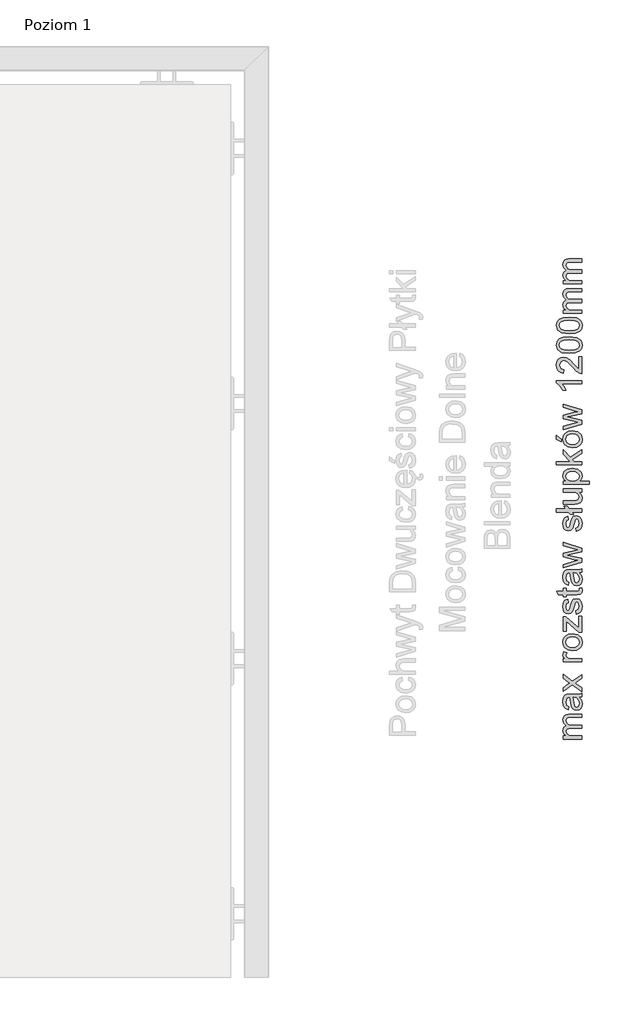
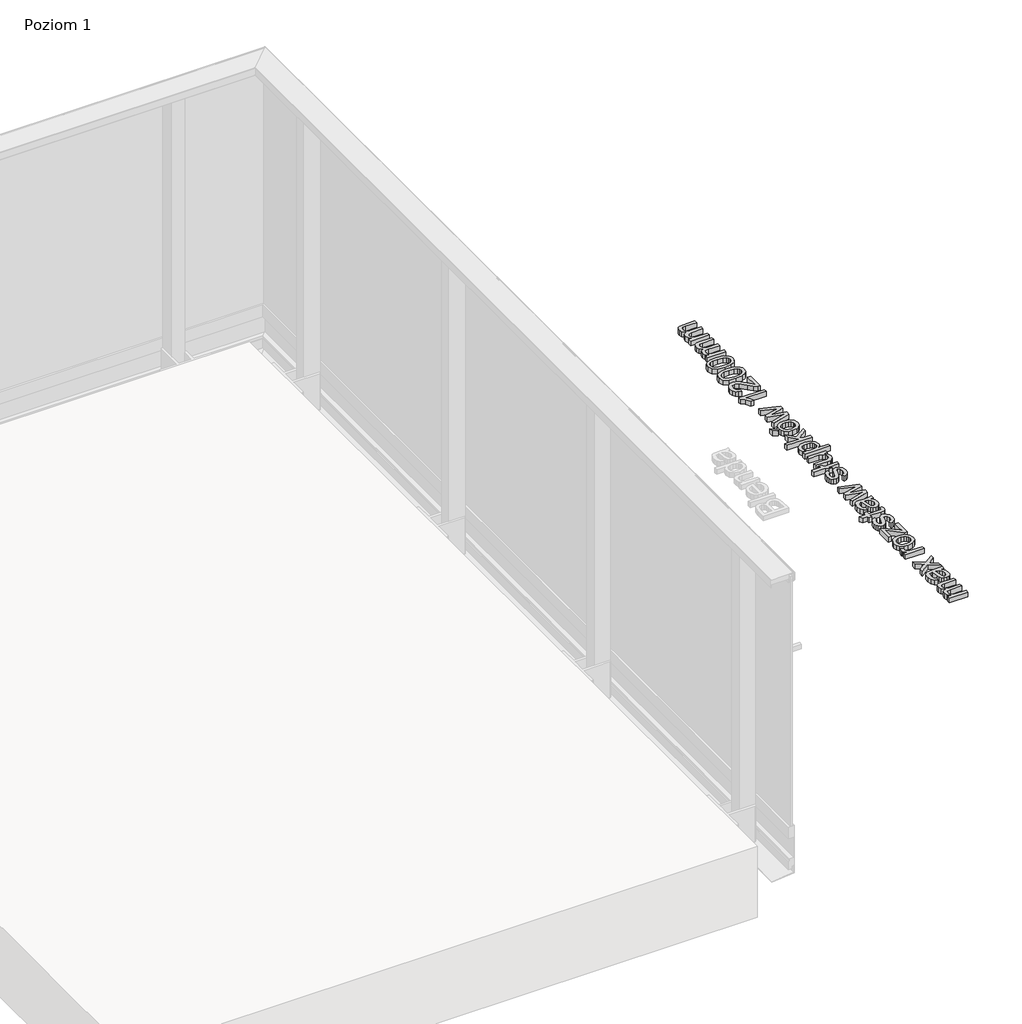
# One storey, part 28 of 35: 1 proxy.
"""IFC4 building model written with IfcOpenShell, lengths in millimetres."""

from ifc_helpers import new_model, si_unit, origin, origin_with_axes, place, context, project, spatial, polyline, outline, extrude, element, save

model = new_model("IFC4")

# Units and contexts
model_context = context("Model", 3, world=origin())
ifc_project = project(units=[si_unit("LENGTHUNIT", "METRE", prefix="MILLI")], contexts=[model_context])

# Site, building, storey
site = spatial("IfcSite", under=ifc_project)
building = spatial("IfcBuilding", under=site)
storey = spatial("IfcBuildingStorey", under=building, Name="Poziom 1", Elevation=0.0)

# Proxy
placement = place(None, origin())
element("IfcBuildingElementProxy", 1, Name="Generic Models", at=placement, inside=storey, context=model_context, shape_type="SweptSolid", body=[
    extrude(outline(polyline([(20769.7173752, -3695.0976583), (20695.9447724, -3695.0976583), (20695.9447724, -3682.5406196), (20708.0848783, -3682.5406196), (20698.1398017, -3673.9076554), (20694.3751426, -3661.6203968), (20698.2133781, -3649.0388325), (20708.9677951, -3642.122651), (20698.0233057, -3632.3247272), (20694.3751426, -3619.9516294), (20695.8926558, -3610.5123906), (20700.4451955, -3603.5318297), (20708.155389, -3599.2184133), (20719.1458636, -3597.7806079), (20769.7173752, -3597.7806079), (20769.7173752, -3610.3376466), (20724.5414662, -3610.3376466), (20714.0568293, -3611.5026063), (20708.8942187, -3615.7209865), (20706.9321813, -3622.8946854), (20711.959902, -3635.2432577), (20718.5020701, -3638.9312747), (20728.0731333, -3640.1606137), (20769.7173752, -3640.1606137), (20769.7173752, -3652.7176525), (20723.1435146, -3652.7176525), (20710.9788833, -3655.6239202), (20706.9321813, -3665.1520639), (20709.6299826, -3674.4472157), (20717.5271828, -3680.6276332), (20732.5122427, -3682.5406196), (20769.7173752, -3682.5406196), (20769.7173752, -3695.0976583)])), origin_with_axes(), (0.0, 0.0, 1.0), 20.0),
    extrude(outline(polyline([(20760.2995961, -3531.8561543), (20768.8099329, -3544.0330484), (20771.287005, -3557.4852667), (20769.797083, -3567.9791006), (20765.3273167, -3575.7199509), (20758.5398939, -3580.4932198), (20750.0970021, -3582.0843094), (20740.1641882, -3579.6808137), (20732.9537011, -3573.3655061), (20728.8334228, -3564.5731264), (20726.9449619, -3553.7083448), (20722.6284798, -3531.9297307), (20719.8325766, -3531.8561543), (20710.5619504, -3535.3142451), (20706.9321813, -3549.195659), (20709.3479398, -3561.8998506), (20717.9195903, -3567.9576408), (20716.3499604, -3580.5146796), (20704.0872273, -3575.0822888), (20696.9012656, -3564.1439308), (20694.3751426, -3547.5769783), (20696.60696, -3532.3589264), (20702.2110291, -3523.7627504), (20710.7336286, -3519.9122522), (20721.7210376, -3519.2991156), (20737.3437596, -3519.2991156), (20759.1591619, -3518.6614534), (20769.7173752, -3516.1598559), (20769.7173752, -3528.7168946), (20760.2995961, -3531.8561543)]), holes=[polyline([(20735.1855186, -3531.8561543), (20739.0360168, -3552.1141895), (20741.0716305, -3562.9176575), (20744.3825685, -3567.810488), (20749.2140853, -3569.5272706), (20756.0076395, -3565.787137), (20758.7299663, -3554.8119908), (20755.7255966, -3542.1077993), (20748.4537959, -3533.9162935), (20738.7417112, -3531.9297307), (20735.1855186, -3531.8561543)])]), origin_with_axes(), (0.0, 0.0, 1.0), 20.0),
    extrude(outline(polyline([(20769.7173752, -3509.8813365), (20732.6348701, -3483.0504763), (20695.9447724, -3508.3117066), (20695.9447724, -3493.2040194), (20713.6031082, -3481.0148626), (20721.9417668, -3475.3249544), (20715.1236871, -3470.3953357), (20695.9447724, -3456.5139217), (20695.9447724, -3441.4062344), (20732.6348701, -3467.942789), (20769.7173752, -3442.3872531), (20769.7173752, -3457.4949404), (20747.4237263, -3472.8724078), (20743.3524989, -3475.6928364), (20769.7173752, -3494.7736492), (20769.7173752, -3509.8813365)])), origin_with_axes(), (0.0, 0.0, 1.0), 20.0),
    extrude(outline(polyline([(20769.7173752, -3392.159098), (20695.9447724, -3392.159098), (20695.9447724, -3381.1716891), (20706.858605, -3381.1716891), (20696.8031637, -3373.3725908), (20694.3751426, -3365.5244416), (20698.2501663, -3352.9183519), (20709.5073553, -3357.1122066), (20706.9321813, -3365.9413745), (20709.4092535, -3373.041497), (20716.276384, -3377.5664456), (20730.9426129, -3379.6020593), (20769.7173752, -3379.6020593), (20769.7173752, -3392.159098)])), origin_with_axes(), (0.0, 0.0, 1.0), 20.0),
    extrude(outline(polyline([(20732.8310738, -3348.2094623), (20715.0439793, -3345.4932669), (20702.5421229, -3337.3446807), (20696.4168877, -3327.2769768), (20694.3751426, -3315.2227101), (20696.8614117, -3302.0310749), (20704.3202192, -3291.4943214), (20716.1629537, -3284.587337), (20731.8010042, -3282.2850088), (20754.1437041, -3286.3562362), (20766.786582, -3298.2142992), (20771.287005, -3315.2227101), (20768.8099329, -3328.5737608), (20761.3787166, -3339.0982516), (20749.2876617, -3345.9316596), (20732.8310738, -3348.2094623)]), holes=[polyline([(20732.8065483, -3335.6524236), (20744.1710363, -3334.1992897), (20752.2675059, -3329.839888), (20757.1143512, -3323.2793258), (20758.7299663, -3315.2227101), (20757.1051541, -3307.2028826), (20752.2307177, -3300.6545831), (20744.0269492, -3296.2951815), (20732.4141409, -3294.8420476), (20721.3807467, -3296.3043785), (20713.3946417, -3300.6913713), (20708.5477964, -3307.2488679), (20706.9321813, -3315.2227101), (20708.5416651, -3323.2793258), (20713.3701163, -3329.839888), (20721.4481917, -3334.1992897), (20732.8065483, -3335.6524236)])]), origin_with_axes(), (0.0, 0.0, 1.0), 20.0),
    extrude(outline(polyline([(20769.7173752, -3276.0064894), (20757.8961004, -3276.0064894), (20708.5018112, -3232.6699904), (20708.5018112, -3245.4968093), (20708.5018112, -3272.8672297), (20695.9447724, -3272.8672297), (20695.9447724, -3214.7909254), (20706.6133503, -3214.7909254), (20750.4403586, -3253.2223312), (20757.1603364, -3259.1084431), (20757.1603364, -3244.589367), (20757.1603364, -3213.2212956), (20769.7173752, -3213.2212956), (20769.7173752, -3276.0064894)])), origin_with_axes(), (0.0, 0.0, 1.0), 20.0),
    extrude(outline(polyline([(20747.7425573, -3205.3731463), (20746.1729275, -3192.8161076), (20755.4926047, -3187.003572), (20758.7299663, -3173.6862438), (20755.7623848, -3160.8839504), (20748.7971524, -3156.7146211), (20743.1562951, -3160.9084759), (20739.5755771, -3173.8333966), (20733.4319477, -3192.7425312), (20726.2582488, -3200.9953506), (20716.1292312, -3203.8035165), (20706.7727658, -3201.5471736), (20699.6235924, -3195.3912815), (20695.9079842, -3187.4082422), (20694.3751426, -3176.6047743), (20696.8399519, -3161.3254088), (20703.5108788, -3151.6133241), (20714.7803306, -3147.296842), (20716.3499604, -3159.8538808), (20709.4215162, -3164.5750331), (20706.9321813, -3175.6237557), (20709.3111516, -3187.6412342), (20714.853907, -3191.2464777), (20718.5082015, -3189.7504243), (20721.2795792, -3185.0660602), (20723.952855, -3174.2503296), (20729.8634924, -3155.8194416), (20736.5589447, -3147.2600538), (20747.4727772, -3144.1575823), (20759.4902557, -3147.7996141), (20768.209059, -3158.3087764), (20771.287005, -3173.8579221), (20769.8032143, -3186.5191941), (20765.3518422, -3195.7591635), (20757.9819395, -3201.9273183), (20747.7425573, -3205.3731463)])), origin_with_axes(), (0.0, 0.0, 1.0), 20.0),
    extrude(outline(polyline([(20759.2450011, -3103.3472063), (20770.0852572, -3101.7775765), (20771.287005, -3111.1708301), (20769.2023404, -3121.6922552), (20763.7331614, -3126.940705), (20749.4838655, -3128.4612839), (20708.5018112, -3128.4612839), (20708.5018112, -3137.879063), (20695.9447724, -3137.879063), (20695.9447724, -3128.4612839), (20678.0166565, -3128.4612839), (20670.6344912, -3115.9042451), (20695.9447724, -3115.9042451), (20695.9447724, -3103.3472063), (20708.5018112, -3103.3472063), (20708.5018112, -3115.9042451), (20749.1159835, -3115.9042451), (20755.5907066, -3115.2420575), (20757.8838377, -3113.0960792), (20758.7299663, -3108.8163853), (20759.2450011, -3103.3472063)])), origin_with_axes(), (0.0, 0.0, 1.0), 20.0),
    extrude(outline(polyline([(20760.2995961, -3043.7012722), (20768.8099329, -3055.8781662), (20771.287005, -3069.3303845), (20769.797083, -3079.8242184), (20765.3273167, -3087.5650688), (20758.5398939, -3092.3383376), (20750.0970021, -3093.9294273), (20740.1641882, -3091.5259316), (20732.9537011, -3085.210624), (20728.8334228, -3076.4182443), (20726.9449619, -3065.5534627), (20722.6284798, -3043.7748486), (20719.8325766, -3043.7012722), (20710.5619504, -3047.1593629), (20706.9321813, -3061.0407769), (20709.3479398, -3073.7449685), (20717.9195903, -3079.8027587), (20716.3499604, -3092.3597974), (20704.0872273, -3086.9274066), (20696.9012656, -3075.9890486), (20694.3751426, -3059.4220961), (20696.60696, -3044.2040443), (20702.2110291, -3035.6078683), (20710.7336286, -3031.7573701), (20721.7210376, -3031.1442334), (20737.3437596, -3031.1442334), (20759.1591619, -3030.5065713), (20769.7173752, -3028.0049737), (20769.7173752, -3040.5620125), (20760.2995961, -3043.7012722)]), holes=[polyline([(20735.1855186, -3043.7012722), (20739.0360168, -3063.9593074), (20741.0716305, -3074.7627753), (20744.3825685, -3079.6556059), (20749.2140853, -3081.3723885), (20756.0076395, -3077.6322549), (20758.7299663, -3066.6571087), (20755.7255966, -3053.9529171), (20748.4537959, -3045.7614114), (20738.7417112, -3043.7748486), (20735.1855186, -3043.7012722)])]), origin_with_axes(), (0.0, 0.0, 1.0), 20.0),
    extrude(outline(polyline([(20769.7173752, -3001.6400974), (20695.9447724, -3024.0808991), (20695.9447724, -3011.033351), (20738.9869659, -2998.304634), (20754.3644333, -2994.5031867), (20739.5510516, -2991.3884525), (20695.9447724, -2981.2594349), (20695.9447724, -2966.2989004), (20739.4284243, -2956.2189337), (20752.8438543, -2953.447556), (20738.6926603, -2949.4744305), (20695.9447724, -2936.721188), (20695.9447724, -2923.624589), (20769.7173752, -2946.2370689), (20769.7173752, -2961.4183326), (20726.4544526, -2971.0568409), (20712.9654461, -2973.852744), (20769.7173752, -2986.2871555), (20769.7173752, -3001.6400974)])), origin_with_axes(), (0.0, 0.0, 1.0), 20.0),
    extrude(outline(polyline([(20747.7425573, -2880.4597682), (20746.1729275, -2867.9027294), (20755.4926047, -2862.0901939), (20758.7299663, -2848.7728657), (20755.7623848, -2835.9705723), (20748.7971524, -2831.801243), (20743.1562951, -2835.9950977), (20739.5755771, -2848.9200185), (20733.4319477, -2867.829153), (20726.2582488, -2876.0819725), (20716.1292312, -2878.8901384), (20706.7727658, -2876.6337955), (20699.6235924, -2870.4779034), (20695.9079842, -2862.4948641), (20694.3751426, -2851.6913962), (20696.8399519, -2836.4120306), (20703.5108788, -2826.699946), (20714.7803306, -2822.3834639), (20716.3499604, -2834.9405027), (20709.4215162, -2839.6616549), (20706.9321813, -2850.7103775), (20709.3111516, -2862.727856), (20714.853907, -2866.3330996), (20718.5082015, -2864.8370461), (20721.2795792, -2860.1526821), (20723.952855, -2849.3369514), (20729.8634924, -2830.9060635), (20736.5589447, -2822.3466757), (20747.4727772, -2819.2442042), (20759.4902557, -2822.886236), (20768.209059, -2833.3953983), (20771.287005, -2848.9445439), (20769.8032143, -2861.6058159), (20765.3518422, -2870.8457854), (20757.9819395, -2877.0139402), (20747.7425573, -2880.4597682)])), origin_with_axes(), (0.0, 0.0, 1.0), 20.0),
    extrude(outline(polyline([(20730.0106452, -2805.1175356), (20737.5399633, -2814.5353147), (20723.4132947, -2814.5353147), (20715.8839766, -2805.1175356), (20669.261065, -2805.1175356), (20669.261065, -2792.5604968), (20705.8285354, -2792.5604968), (20698.2992172, -2783.1427177), (20712.4258858, -2783.1427177), (20719.955204, -2792.5604968), (20769.7173752, -2792.5604968), (20769.7173752, -2805.1175356), (20730.0106452, -2805.1175356)])), origin_with_axes(), (0.0, 0.0, 1.0), 20.0),
    extrude(outline(polyline([(20769.7173752, -2726.6360433), (20757.0377091, -2726.6360433), (20767.7246811, -2736.4707553), (20771.287005, -2749.2975742), (20768.7854075, -2761.1065862), (20762.5068881, -2769.2490411), (20753.2607873, -2772.9891747), (20741.5866653, -2773.7249387), (20695.9447724, -2773.7249387), (20695.9447724, -2761.1678999), (20735.6760279, -2761.1678999), (20748.4783213, -2760.4076104), (20755.9953768, -2755.4412035), (20758.7299663, -2746.0847381), (20755.9340631, -2735.6001012), (20748.3189058, -2728.671657), (20734.3271273, -2726.6360433), (20695.9447724, -2726.6360433), (20695.9447724, -2714.0790045), (20769.7173752, -2714.0790045), (20769.7173752, -2726.6360433)])), origin_with_axes(), (0.0, 0.0, 1.0), 20.0),
    extrude(outline(polyline([(20797.9707124, -2696.8130762), (20695.9447724, -2696.8130762), (20695.9447724, -2684.2560374), (20708.2565565, -2684.2560374), (20697.8454961, -2675.5740224), (20694.3751426, -2663.8508494), (20699.2311849, -2647.9338218), (20712.9163951, -2637.5350241), (20732.2669881, -2634.0278824), (20752.6108624, -2637.9887452), (20766.4677509, -2649.4911889), (20771.287005, -2665.3714284), (20768.0619062, -2676.2975236), (20759.9071887, -2684.2560374), (20797.9707124, -2684.2560374), (20797.9707124, -2696.8130762)]), holes=[polyline([(20733.419685, -2684.2560374), (20744.6768741, -2682.8979397), (20752.5495488, -2678.8236466), (20757.1848619, -2672.8118417), (20758.7299663, -2665.6412085), (20757.1296796, -2658.3540793), (20752.3288196, -2652.1889902), (20744.1679706, -2647.9859384), (20732.4877173, -2646.5849211), (20721.2918419, -2647.9522159), (20713.3088026, -2652.0541001), (20708.5263367, -2658.056708), (20706.9321813, -2665.1261737), (20708.6275042, -2672.2232305), (20713.7134728, -2678.4557647), (20722.0306716, -2682.8059692), (20733.419685, -2684.2560374)])]), origin_with_axes(), (0.0, 0.0, 1.0), 20.0),
    extrude(outline(polyline([(20769.7173752, -2619.9012138), (20669.261065, -2619.9012138), (20669.261065, -2607.344175), (20723.2416165, -2607.344175), (20695.9447724, -2579.1889396), (20695.9447724, -2561.8249094), (20723.584973, -2590.3235013), (20769.7173752, -2560.2552796), (20769.7173752, -2574.9215085), (20732.316039, -2599.3243475), (20740.0906118, -2607.344175), (20769.7173752, -2607.344175), (20769.7173752, -2619.9012138)])), origin_with_axes(), (0.0, 0.0, 1.0), 20.0),
    extrude(outline(polyline([(20732.8310738, -2552.4071304), (20715.0439793, -2549.690935), (20702.5421229, -2541.5423488), (20696.4168877, -2531.4746448), (20694.3751426, -2519.4203781), (20696.8614117, -2506.2287429), (20704.3202192, -2495.6919894), (20716.1629537, -2488.785005), (20731.8010042, -2486.4826768), (20754.1437041, -2490.5539042), (20766.786582, -2502.4119672), (20771.287005, -2519.4203781), (20768.8099329, -2532.7714289), (20761.3787166, -2543.2959196), (20749.2876617, -2550.1293277), (20732.8310738, -2552.4071304)]), holes=[polyline([(20732.8065483, -2539.8500916), (20744.1710363, -2538.3969577), (20752.2675059, -2534.0375561), (20757.1143512, -2527.4769938), (20758.7299663, -2519.4203781), (20757.1051541, -2511.4005506), (20752.2307177, -2504.8522511), (20744.0269492, -2500.4928495), (20732.4141409, -2499.0397156), (20721.3807467, -2500.5020465), (20713.3946417, -2504.8890393), (20708.5477964, -2511.4465359), (20706.9321813, -2519.4203781), (20708.5416651, -2527.4769938), (20713.3701163, -2534.0375561), (20721.4481917, -2538.3969577), (20732.8065483, -2539.8500916)])]), origin_with_axes(), (0.0, 0.0, 1.0), 20.0),
    extrude(outline(polyline([(20688.0966232, -2528.8626827), (20669.261065, -2519.4449036), (20669.261065, -2503.7486051), (20688.0966232, -2519.4449036), (20688.0966232, -2528.8626827)])), origin_with_axes(), (0.0, 0.0, 1.0), 20.0),
    extrude(outline(polyline([(20769.7173752, -2460.1178005), (20695.9447724, -2482.5586022), (20695.9447724, -2469.5110541), (20738.9869659, -2456.7823371), (20754.3644333, -2452.9808898), (20739.5510516, -2449.8661556), (20695.9447724, -2439.737138), (20695.9447724, -2424.7766035), (20739.4284243, -2414.6966368), (20752.8438543, -2411.9252591), (20738.6926603, -2407.9521336), (20695.9447724, -2395.1988911), (20695.9447724, -2382.1022921), (20769.7173752, -2404.714772), (20769.7173752, -2419.8960357), (20726.4544526, -2429.534544), (20712.9654461, -2432.3304471), (20769.7173752, -2444.7648586), (20769.7173752, -2460.1178005)])), origin_with_axes(), (0.0, 0.0, 1.0), 20.0),
    extrude(outline(polyline([(20769.7173752, -2290.2789461), (20769.7173752, -2302.8359848), (20691.4320866, -2302.8359848), (20699.9056352, -2314.730836), (20706.2454683, -2327.9500624), (20694.3751426, -2327.9500624), (20682.6274442, -2309.5436999), (20669.261065, -2298.37235), (20669.261065, -2290.2789461), (20769.7173752, -2290.2789461)])), origin_with_axes(), (0.0, 0.0, 1.0), 20.0),
    extrude(outline(polyline([(20757.1603364, -2196.1011553), (20769.7173752, -2196.1011553), (20769.7173752, -2262.0256088), (20761.0598856, -2260.6767082), (20747.7302946, -2253.0492882), (20733.1744303, -2237.3284642), (20712.2542075, -2215.647952), (20698.0294371, -2210.2278239), (20686.5147306, -2215.3413837), (20681.8181038, -2228.6955001), (20686.404366, -2242.6137022), (20699.0840321, -2247.8989402), (20697.5144023, -2260.455979), (20685.3681651, -2257.4117555), (20676.4960776, -2250.8297335), (20671.0698182, -2241.0532694), (20669.261065, -2228.42572), (20671.2721533, -2215.7062), (20677.305418, -2205.94813), (20686.3185269, -2199.7401214), (20697.2691476, -2197.6707852), (20709.1762615, -2199.9026026), (20721.4880456, -2207.3215562), (20738.6926603, -2225.3109857), (20750.7714524, -2239.7564854), (20757.1603364, -2245.4218681), (20757.1603364, -2196.1011553)])), origin_with_axes(), (0.0, 0.0, 1.0), 20.0),
    extrude(outline(polyline([(20720.2985605, -2183.5441165), (20691.3952984, -2179.8530339), (20674.730244, -2168.8901504), (20669.261065, -2150.5818898), (20672.4984266, -2135.9156609), (20681.8303665, -2125.7866433), (20696.6927992, -2119.9005314), (20720.2985605, -2117.619663), (20749.0791953, -2121.2739575), (20765.7810378, -2132.2000527), (20769.9105132, -2140.4314124), (20771.287005, -2150.5818898), (20768.8957721, -2163.6294379), (20761.7220732, -2173.5377263), (20744.7320564, -2181.042519), (20720.2985605, -2183.5441165)]), holes=[polyline([(20720.274035, -2170.9870778), (20740.0262325, -2169.5155498), (20751.4581655, -2165.1009658), (20756.9120161, -2158.5281409), (20758.7299663, -2150.5818898), (20756.9058847, -2142.6356387), (20751.43364, -2136.0628137), (20739.9955757, -2131.6482298), (20720.274035, -2130.1767018), (20700.9663617, -2131.5991788), (20689.4455238, -2135.86661), (20683.7249588, -2142.4271722), (20681.8181038, -2150.7290426), (20683.4980983, -2158.5894545), (20688.5380816, -2164.9047621), (20700.7762893, -2169.4664989), (20720.274035, -2170.9870778)])]), origin_with_axes(), (0.0, 0.0, 1.0), 20.0),
    extrude(outline(polyline([(20720.2985605, -2106.6322541), (20691.3952984, -2102.9411714), (20674.730244, -2091.9782879), (20669.261065, -2073.6700273), (20672.4984266, -2059.0037984), (20681.8303665, -2048.8747808), (20696.6927992, -2042.9886689), (20720.2985605, -2040.7078005), (20749.0791953, -2044.362095), (20765.7810378, -2055.2881903), (20769.9105132, -2063.5195499), (20771.287005, -2073.6700273), (20768.8957721, -2086.7175754), (20761.7220732, -2096.6258638), (20744.7320564, -2104.1306565), (20720.2985605, -2106.6322541)]), holes=[polyline([(20720.274035, -2094.0752153), (20740.0262325, -2092.6036873), (20751.4581655, -2088.1891034), (20756.9120161, -2081.6162784), (20758.7299663, -2073.6700273), (20756.9058847, -2065.7237762), (20751.43364, -2059.1509512), (20739.9955757, -2054.7363673), (20720.274035, -2053.2648393), (20700.9663617, -2054.6873164), (20689.4455238, -2058.9547475), (20683.7249588, -2065.5153098), (20681.8181038, -2073.8171801), (20683.4980983, -2081.6775921), (20688.5380816, -2087.9928997), (20700.7762893, -2092.5546364), (20720.274035, -2094.0752153)])]), origin_with_axes(), (0.0, 0.0, 1.0), 20.0),
    extrude(outline(polyline([(20769.7173752, -2026.5811319), (20695.9447724, -2026.5811319), (20695.9447724, -2014.0240932), (20708.0848783, -2014.0240932), (20698.1398017, -2005.391129), (20694.3751426, -1993.1038704), (20698.2133781, -1980.5223061), (20708.9677951, -1973.6061246), (20698.0233057, -1963.8082008), (20694.3751426, -1951.435103), (20695.8926558, -1941.9958642), (20700.4451955, -1935.0153033), (20708.155389, -1930.7018869), (20719.1458636, -1929.2640815), (20769.7173752, -1929.2640815), (20769.7173752, -1941.8211202), (20724.5414662, -1941.8211202), (20714.0568293, -1942.9860799), (20708.8942187, -1947.2044601), (20706.9321813, -1954.378159), (20711.959902, -1966.7267313), (20718.5020701, -1970.4147483), (20728.0731333, -1971.6440873), (20769.7173752, -1971.6440873), (20769.7173752, -1984.2011261), (20723.1435146, -1984.2011261), (20710.9788833, -1987.1073938), (20706.9321813, -1996.6355375), (20709.6299826, -2005.9306893), (20717.5271828, -2012.1111068), (20732.5122427, -2014.0240932), (20769.7173752, -2014.0240932), (20769.7173752, -2026.5811319)])), origin_with_axes(), (0.0, 0.0, 1.0), 20.0),
    extrude(outline(polyline([(20769.7173752, -1910.4285233), (20695.9447724, -1910.4285233), (20695.9447724, -1897.8714846), (20708.0848783, -1897.8714846), (20698.1398017, -1889.2385204), (20694.3751426, -1876.9512618), (20698.2133781, -1864.3696975), (20708.9677951, -1857.453516), (20698.0233057, -1847.6555922), (20694.3751426, -1835.2824944), (20695.8926558, -1825.8432556), (20700.4451955, -1818.8626947), (20708.155389, -1814.5492783), (20719.1458636, -1813.1114729), (20769.7173752, -1813.1114729), (20769.7173752, -1825.6685116), (20724.5414662, -1825.6685116), (20714.0568293, -1826.8334713), (20708.8942187, -1831.0518515), (20706.9321813, -1838.2255504), (20711.959902, -1850.5741227), (20718.5020701, -1854.2621397), (20728.0731333, -1855.4914787), (20769.7173752, -1855.4914787), (20769.7173752, -1868.0485175), (20723.1435146, -1868.0485175), (20710.9788833, -1870.9547852), (20706.9321813, -1880.4829289), (20709.6299826, -1889.7780807), (20717.5271828, -1895.9584982), (20732.5122427, -1897.8714846), (20769.7173752, -1897.8714846), (20769.7173752, -1910.4285233)])), origin_with_axes(), (0.0, 0.0, 1.0), 20.0),
])

save(model, "model.ifc")
